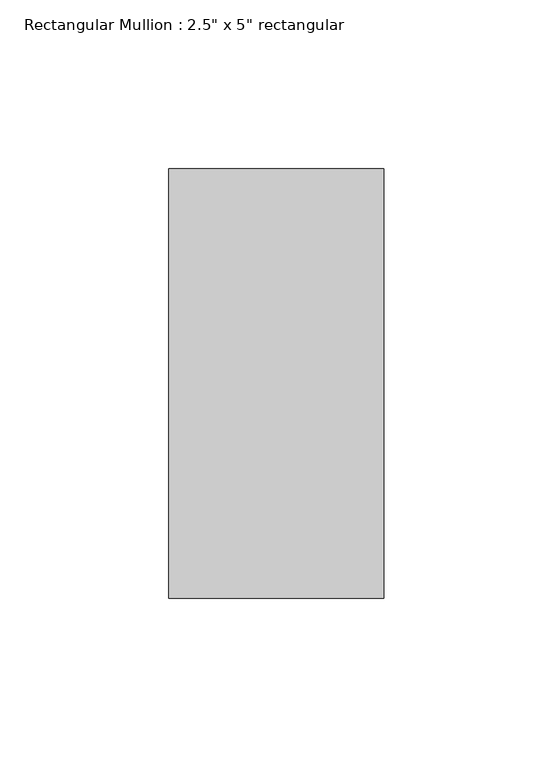
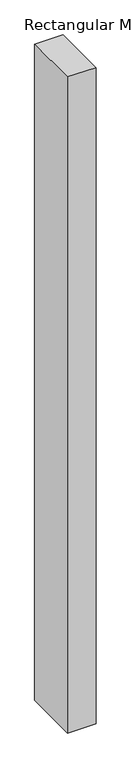
"""IFC4 building model written with IfcOpenShell, lengths in millimetres: member geometry."""

from ifc_helpers import new_model, si_unit, frame, origin, place, context, project, spatial, polyline, outline, extrude, source, transform, mapped, element, save


def member_2a3c82f4(model_context):
    return source(origin(), model_context, "Body", "SweptSolid", [
        extrude(outline(polyline([(0.0, 63.5), (0.0, -63.5), (-63.5, -63.5), (-63.5, 63.5), (0.0, 63.5)])), frame((0.0, 0.0, -1548.4597216), z_axis=(0.0, 0.0, 1.0), x_axis=(1.0, 0.0, 0.0)), (0.0, 0.0, 1.0), 1548.4597216),
    ])


if __name__ == "__main__":
    model = new_model("IFC4")
    model_context = context("Model", 3, world=origin())
    ifc_project = project(units=[si_unit("LENGTHUNIT", "METRE", prefix="MILLI")], contexts=[model_context])
    site = spatial("IfcSite", under=ifc_project)
    building = spatial("IfcBuilding", under=site)
    placement = place(None, origin())
    member_shape = member_2a3c82f4(model_context)
    element("IfcMember", 1, ObjectType="Rectangular Mullion : 2.5\" x 5\" rectangular", at=placement, inside=building, context=model_context, shape_type="MappedRepresentation", body=[
        mapped(member_shape, transform((0.0, 0.0, 0.0), x_axis=(1.0, 0.0, 0.0), y_axis=(0.0, 1.0, 0.0), z_axis=(0.0, 0.0, 1.0))),
    ])
    save(model, "model.ifc")
